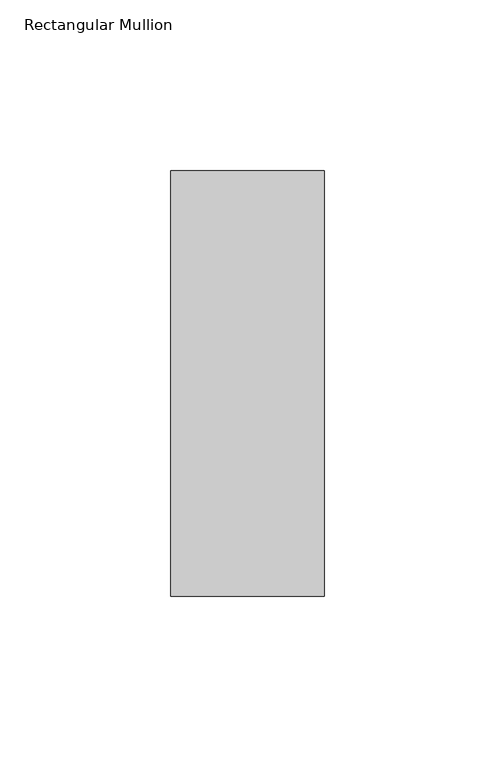
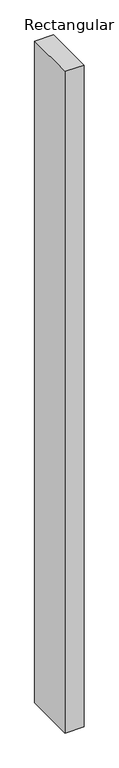
"""IFC4 building model written with IfcOpenShell, lengths in millimetres: member geometry, Rectangular Mullion."""

from ifc_helpers import new_model, si_unit, frame, origin, place, context, project, spatial, polyline, outline, extrude, source, transform, mapped, element, save


def rectangular_mullion_1400c2ee(model_context):
    return source(origin(), model_context, "Body", "SweptSolid", [
        extrude(outline(polyline([(-45.0, 77.84375), (0.0, 77.84375), (0.0, -46.84375), (-45.0, -46.84375), (-45.0, 77.84375)])), frame((0.0, 0.0, -1659.6779543), z_axis=(0.0, 0.0, 1.0), x_axis=(1.0, 0.0, 0.0)), (0.0, 0.0, 1.0), 1659.6779543),
    ])


if __name__ == "__main__":
    model = new_model("IFC4")
    model_context = context("Model", 3, world=origin())
    ifc_project = project(units=[si_unit("LENGTHUNIT", "METRE", prefix="MILLI")], contexts=[model_context])
    site = spatial("IfcSite", under=ifc_project)
    building = spatial("IfcBuilding", under=site)
    placement = place(None, origin())
    rectangular_mullion_shape = rectangular_mullion_1400c2ee(model_context)
    element("IfcMember", 1, ObjectType="Rectangular Mullion", at=placement, inside=building, context=model_context, shape_type="MappedRepresentation", body=[
        mapped(rectangular_mullion_shape, transform((0.0, 0.0, 0.0), x_axis=(1.0, 0.0, 0.0), y_axis=(0.0, 1.0, 0.0), z_axis=(0.0, 0.0, 1.0))),
    ])
    save(model, "model.ifc")
